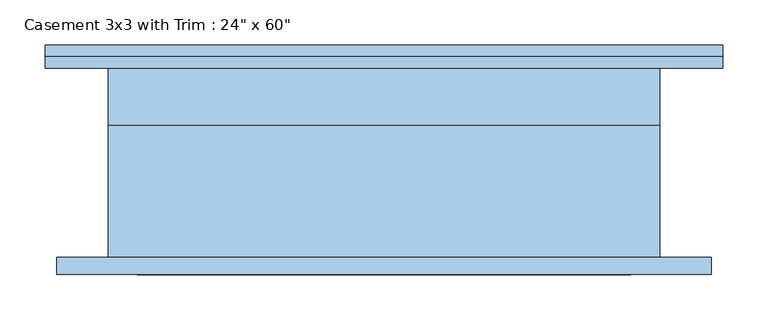
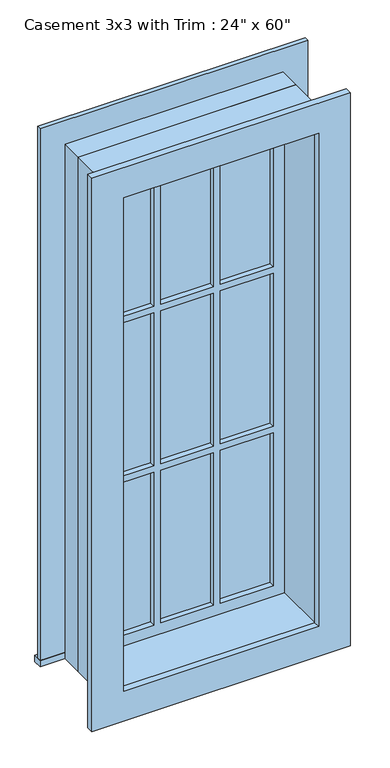
"""IFC4 building model written with IfcOpenShell, lengths in millimetres: window geometry."""

from ifc_helpers import new_model, si_unit, frame, origin, place, context, project, spatial, polyline, outline, extrude, source, transform, mapped, element, save


def window_9a2bc544(model_context):
    return source(origin(), model_context, "Body", "SweptSolid", [
        extrude(outline(polyline([(-374.65, 130.175), (374.65, 130.175), (374.65, 104.775), (-374.65, 104.775), (-374.65, 130.175)])), frame((0.0, 0.0, 609.6), z_axis=(0.0, 0.0, 1.0), x_axis=(1.0, 0.0, 0.0)), (0.0, 0.0, 1.0), 19.05),
        extrude(outline(polyline([(2114.55, -285.75), (2114.55, 285.75), (628.65, 285.75), (628.65, 374.65), (2203.45, 374.65), (2203.45, -374.65), (628.65, -374.65), (628.65, -285.75), (2114.55, -285.75)])), frame((0.0, 104.775, 0.0), z_axis=(0.0, 1.0, 0.0), x_axis=(0.0, 0.0, 1.0)), (0.0, 0.0, 1.0), 12.7),
        extrude(outline(polyline([(93.1333333, 69.85), (241.3, 69.85), (241.3, 57.15), (93.1333333, 57.15), (93.1333333, 69.85)])), frame((0.0, 0.0, 1617.1333333), z_axis=(0.0, 0.0, 1.0), x_axis=(1.0, 0.0, 0.0)), (0.0, 0.0, 1.0), 452.9666667),
        extrude(outline(polyline([(-74.0833333, 69.85), (74.0833333, 69.85), (74.0833333, 57.15), (-74.0833333, 57.15), (-74.0833333, 69.85)])), frame((0.0, 0.0, 1617.1333333), z_axis=(0.0, 0.0, 1.0), x_axis=(1.0, 0.0, 0.0)), (0.0, 0.0, 1.0), 452.9666667),
        extrude(outline(polyline([(-241.3, 69.85), (-93.1333333, 69.85), (-93.1333333, 57.15), (-241.3, 57.15), (-241.3, 69.85)])), frame((0.0, 0.0, 1617.1333333), z_axis=(0.0, 0.0, 1.0), x_axis=(1.0, 0.0, 0.0)), (0.0, 0.0, 1.0), 452.9666667),
        extrude(outline(polyline([(-241.3, 69.85), (-93.1333333, 69.85), (-93.1333333, 57.15), (-241.3, 57.15), (-241.3, 69.85)])), frame((0.0, 0.0, 1145.1166667), z_axis=(0.0, 0.0, 1.0), x_axis=(1.0, 0.0, 0.0)), (0.0, 0.0, 1.0), 452.9666667),
        extrude(outline(polyline([(-74.0833333, 69.85), (74.0833333, 69.85), (74.0833333, 57.15), (-74.0833333, 57.15), (-74.0833333, 69.85)])), frame((0.0, 0.0, 1145.1166667), z_axis=(0.0, 0.0, 1.0), x_axis=(1.0, 0.0, 0.0)), (0.0, 0.0, 1.0), 452.9666667),
        extrude(outline(polyline([(93.1333333, 69.85), (241.3, 69.85), (241.3, 57.15), (93.1333333, 57.15), (93.1333333, 69.85)])), frame((0.0, 0.0, 1145.1166667), z_axis=(0.0, 0.0, 1.0), x_axis=(1.0, 0.0, 0.0)), (0.0, 0.0, 1.0), 452.9666667),
        extrude(outline(polyline([(93.1333333, 69.85), (241.3, 69.85), (241.3, 57.15), (93.1333333, 57.15), (93.1333333, 69.85)])), frame((0.0, 0.0, 673.1), z_axis=(0.0, 0.0, 1.0), x_axis=(1.0, 0.0, 0.0)), (0.0, 0.0, 1.0), 452.9666667),
        extrude(outline(polyline([(-74.0833333, 69.85), (74.0833333, 69.85), (74.0833333, 57.15), (-74.0833333, 57.15), (-74.0833333, 69.85)])), frame((0.0, 0.0, 673.1), z_axis=(0.0, 0.0, 1.0), x_axis=(1.0, 0.0, 0.0)), (0.0, 0.0, 1.0), 452.9666667),
        extrude(outline(polyline([(-241.3, 69.85), (-93.1333333, 69.85), (-93.1333333, 57.15), (-241.3, 57.15), (-241.3, 69.85)])), frame((0.0, 0.0, 673.1), z_axis=(0.0, 0.0, 1.0), x_axis=(1.0, 0.0, 0.0)), (0.0, 0.0, 1.0), 452.9666667),
        extrude(outline(polyline([(2190.75, 361.95), (2190.75, -361.95), (552.45, -361.95), (552.45, 361.95), (2190.75, 361.95)]), holes=[polyline([(2101.85, 273.05), (641.35, 273.05), (641.35, -273.05), (2101.85, -273.05), (2101.85, 273.05)])]), frame((0.0, -123.825, 0.0), z_axis=(0.0, 1.0, 0.0), x_axis=(0.0, 0.0, 1.0)), (0.0, 0.0, 1.0), 19.05),
        extrude(outline(polyline([(2114.55, -285.75), (628.65, -285.75), (628.65, 285.75), (2114.55, 285.75), (2114.55, -285.75)]), holes=[polyline([(2070.1, -93.1333333), (1617.1333333, -93.1333333), (1617.1333333, -241.3), (2070.1, -241.3), (2070.1, -93.1333333)]), polyline([(1598.0833333, -93.1333333), (1145.1166667, -93.1333333), (1145.1166667, -241.3), (1598.0833333, -241.3), (1598.0833333, -93.1333333)]), polyline([(1126.0666667, -93.1333333), (673.1, -93.1333333), (673.1, -241.3), (1126.0666667, -241.3), (1126.0666667, -93.1333333)]), polyline([(2070.1, 74.0833333), (1617.1333333, 74.0833333), (1617.1333333, -74.0833333), (2070.1, -74.0833333), (2070.1, 74.0833333)]), polyline([(1598.0833333, 74.0833333), (1145.1166667, 74.0833333), (1145.1166667, -74.0833333), (1598.0833333, -74.0833333), (1598.0833333, 74.0833333)]), polyline([(1126.0666667, 74.0833333), (673.1, 74.0833333), (673.1, -74.0833333), (1126.0666667, -74.0833333), (1126.0666667, 74.0833333)]), polyline([(2070.1, 241.3), (1617.1333333, 241.3), (1617.1333333, 93.1333333), (2070.1, 93.1333333), (2070.1, 241.3)]), polyline([(1598.0833333, 241.3), (1145.1166667, 241.3), (1145.1166667, 93.1333333), (1598.0833333, 93.1333333), (1598.0833333, 241.3)]), polyline([(1126.0666667, 241.3), (673.1, 241.3), (673.1, 93.1333333), (1126.0666667, 93.1333333), (1126.0666667, 241.3)])]), frame((0.0, 41.275, 0.0), z_axis=(0.0, 1.0, 0.0), x_axis=(0.0, 0.0, 1.0)), (0.0, 0.0, 1.0), 44.45),
        extrude(outline(polyline([(2133.6, -304.8), (609.6, -304.8), (609.6, 304.8), (2133.6, 304.8), (2133.6, -304.8)]), holes=[polyline([(2101.85, -273.05), (2101.85, 273.05), (641.35, 273.05), (641.35, -273.05), (2101.85, -273.05)])]), frame((0.0, -104.775, 0.0), z_axis=(0.0, 1.0, 0.0), x_axis=(0.0, 0.0, 1.0)), (0.0, 0.0, 1.0), 146.05),
        extrude(outline(polyline([(2133.6, 304.8), (2133.6, -304.8), (609.6, -304.8), (609.6, 304.8), (2133.6, 304.8)]), holes=[polyline([(2114.55, 285.75), (628.65, 285.75), (628.65, -285.75), (2114.55, -285.75), (2114.55, 285.75)])]), frame((0.0, 41.275, 0.0), z_axis=(0.0, 1.0, 0.0), x_axis=(0.0, 0.0, 1.0)), (0.0, 0.0, 1.0), 63.5),
    ])


if __name__ == "__main__":
    model = new_model("IFC4")
    model_context = context("Model", 3, world=origin())
    ifc_project = project(units=[si_unit("LENGTHUNIT", "METRE", prefix="MILLI")], contexts=[model_context])
    site = spatial("IfcSite", under=ifc_project)
    building = spatial("IfcBuilding", under=site)
    placement = place(None, origin())
    window_shape = window_9a2bc544(model_context)
    element("IfcWindow", 1, ObjectType="Casement 3x3 with Trim : 24\" x 60\"", at=placement, inside=building, context=model_context, shape_type="MappedRepresentation", body=[
        mapped(window_shape, transform((0.0, 0.0, 0.0), x_axis=(1.0, 0.0, 0.0), y_axis=(0.0, 1.0, 0.0), z_axis=(0.0, 0.0, 1.0))),
    ])
    save(model, "model.ifc")
